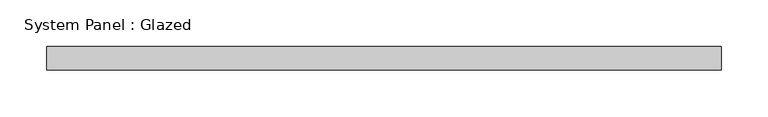
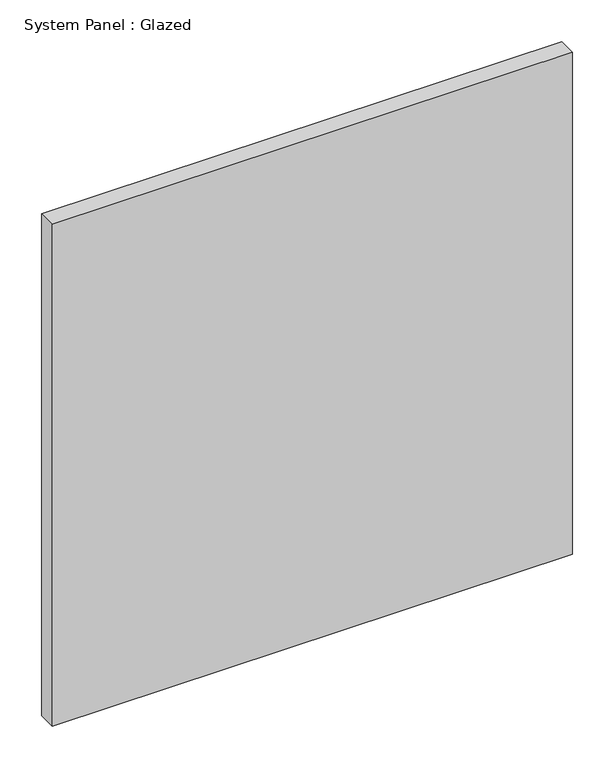
"""IFC4 building model written with IfcOpenShell, lengths in millimetres: plate geometry, System Panel : Glazed."""

import ifcopenshell
import ifcopenshell.guid

model = None  # the IFC model being written
_history = None  # IfcOwnerHistory: only IFC2X3 demands one
_inside = {}  # id of a spatial element -> (the spatial element, [elements in it])
_under = {}  # id of a project, library or spatial element -> (it, [spatial elements below it])
_declared = {}  # id of a project -> (the project, [libraries it declares])
_typed = {}  # id of a type object -> (the type object, [elements of that type])
_made_of = {}  # id of a material, layer set ... -> (it, [elements and type objects made of it])


def new_model(schema):
    """Start an empty IFC model of exactly this schema.

    Asked for "IFC4X3", IfcOpenShell would pick the latest addendum, in which some entities
    have other attributes; the version numbers below select the first issue.
    IFC2X3 requires an IfcOwnerHistory on every rooted entity: one is made here for all.
    """
    global model, _history
    if schema == "IFC4X3":
        model = ifcopenshell.file(schema_version=(4, 3, 0, 0))
    else:
        model = ifcopenshell.file(schema=schema)
    _inside.clear()
    _under.clear()
    _declared.clear()
    _typed.clear()
    _made_of.clear()
    _history = None
    if model.schema == "IFC2X3":
        org = make("IfcOrganization", Name="unknown")
        user = make(
            "IfcPersonAndOrganization",
            ThePerson=make("IfcPerson", FamilyName="unknown"),
            TheOrganization=org,
        )
        app = make(
            "IfcApplication",
            ApplicationDeveloper=org,
            Version="unknown",
            ApplicationFullName="unknown",
            ApplicationIdentifier="unknown",
        )
        _history = make(
            "IfcOwnerHistory",
            OwningUser=user,
            OwningApplication=app,
            ChangeAction="ADDED",
            CreationDate=0,
        )
    return model


def make(cls, **values):
    """One entity of the class cls with the attributes given. An attribute that is None is left unset."""
    return model.create_entity(
        cls, **{name: value for name, value in values.items() if value is not None}
    )


def rooted(cls, **values):
    """An entity with a GlobalId (a new one), such as an element, a storey or a relation."""
    return make(cls, GlobalId=ifcopenshell.guid.new(), OwnerHistory=_history, **values)


def si_unit(unit_type, name, prefix=None):
    """IfcSIUnit, for example si_unit("LENGTHUNIT", "METRE", prefix="MILLI")."""
    return make("IfcSIUnit", UnitType=unit_type, Prefix=prefix, Name=name)


def assignment(units):
    """IfcUnitAssignment: the units of a project."""
    return None if units is None else make("IfcUnitAssignment", Units=units)


def point(xyz):
    """IfcCartesianPoint."""
    return None if xyz is None else make("IfcCartesianPoint", Coordinates=xyz)


def direction(xyz):
    """IfcDirection."""
    return None if xyz is None else make("IfcDirection", DirectionRatios=xyz)


def frame(location, z_axis=None, x_axis=None):
    """IfcAxis2Placement3D, a coordinate frame: its origin and axes. An axis left out is left unset."""
    return make(
        "IfcAxis2Placement3D",
        Location=point(location),
        Axis=direction(z_axis),
        RefDirection=direction(x_axis),
    )


def origin():
    """The frame at (0, 0, 0) with its axes left unset."""
    return frame((0.0, 0.0, 0.0))


def origin_with_axes():
    """The frame at (0, 0, 0) with the z axis (0, 0, 1) and the x axis (1, 0, 0) written out."""
    return frame((0.0, 0.0, 0.0), z_axis=(0.0, 0.0, 1.0), x_axis=(1.0, 0.0, 0.0))


def place(relative_to, where):
    """IfcLocalPlacement: puts the frame where relative to a parent placement (None: the world)."""
    return make(
        "IfcLocalPlacement", PlacementRelTo=relative_to, RelativePlacement=where
    )


def context(
    kind, dimensions, precision=None, world=None, true_north=None, identifier=None
):
    """IfcGeometricRepresentationContext, for example the 3D "Model" context."""
    return make(
        "IfcGeometricRepresentationContext",
        ContextIdentifier=identifier,
        ContextType=kind,
        CoordinateSpaceDimension=dimensions,
        Precision=precision,
        WorldCoordinateSystem=world,
        TrueNorth=true_north,
    )


def project(units=None, contexts=None):
    """IfcProject with its units and contexts."""
    return rooted(
        "IfcProject",
        Name="project",
        RepresentationContexts=contexts,
        UnitsInContext=assignment(units),
    )


def spatial(cls, under=None, at=None, **own):
    """A site, building, storey or space (cls), placed at a placement, below another one or the project."""
    s = rooted(cls, ObjectPlacement=at, **own)
    if under is not None:
        _under.setdefault(under.id(), (under, []))[1].append(s)
    return s


def polyline(points):
    """IfcPolyline through the points."""
    return make("IfcPolyline", Points=[point(p) for p in points])


def outline(outer, holes=None, kind="AREA"):
    """IfcArbitraryClosedProfileDef: a profile drawn as a closed curve; with holes, ...WithVoids."""
    if holes is None:
        return make("IfcArbitraryClosedProfileDef", ProfileType=kind, OuterCurve=outer)
    return make(
        "IfcArbitraryProfileDefWithVoids",
        ProfileType=kind,
        OuterCurve=outer,
        InnerCurves=holes,
    )


def extrude(swept, where, along, depth):
    """IfcExtrudedAreaSolid: the profile swept, set in the frame where, extruded along a direction by depth."""
    return make(
        "IfcExtrudedAreaSolid",
        SweptArea=swept,
        Position=where,
        ExtrudedDirection=direction(along),
        Depth=depth,
    )


def shape(context_of_items, identifier, shape_type, items):
    """IfcShapeRepresentation: the items that make up one representation, for example the "Body"."""
    return make(
        "IfcShapeRepresentation",
        ContextOfItems=context_of_items,
        RepresentationIdentifier=identifier,
        RepresentationType=shape_type,
        Items=items,
    )


def source(mapping_origin, context_of_items, identifier, shape_type, items):
    """IfcRepresentationMap: a shape defined once, which mapped items show again and again."""
    return make(
        "IfcRepresentationMap",
        MappingOrigin=mapping_origin,
        MappedRepresentation=shape(context_of_items, identifier, shape_type, items),
    )


def transform(
    local_origin,
    x_axis=None,
    y_axis=None,
    z_axis=None,
    scale=None,
    scale2=None,
    scale3=None,
    uniform=True,
):
    """IfcCartesianTransformationOperator3D, or its non-uniform kind. x_axis, y_axis, z_axis: its Axis1, 2, 3."""
    if uniform:
        return make(
            "IfcCartesianTransformationOperator3D",
            Axis1=direction(x_axis),
            Axis2=direction(y_axis),
            LocalOrigin=point(local_origin),
            Scale=scale,
            Axis3=direction(z_axis),
        )
    return make(
        "IfcCartesianTransformationOperator3DnonUniform",
        Axis1=direction(x_axis),
        Axis2=direction(y_axis),
        LocalOrigin=point(local_origin),
        Scale=scale,
        Axis3=direction(z_axis),
        Scale2=scale2,
        Scale3=scale3,
    )


def mapped(mapping_source, mapping_target):
    """IfcMappedItem: shows the shape of a source again, moved by a transform."""
    return make(
        "IfcMappedItem", MappingSource=mapping_source, MappingTarget=mapping_target
    )


def made_of(thing, what):
    """Note that an element or type object is made of a material, layer set ...; save() writes the relation."""
    if what is not None:
        _made_of.setdefault(what.id(), (what, []))[1].append(thing)
    return thing


def element(
    cls,
    number,
    at=None,
    inside=None,
    cuts=None,
    type_object=None,
    material=None,
    context=None,
    identifier="Body",
    shape_type=None,
    held_by="IfcProductDefinitionShape",
    body=None,
    shapes=None,
    **own,
):
    """One element of the class cls, such as IfcWall. Its Tag is "e" and its number.

    at: its placement. inside: the storey or other place that contains it. cuts: it is an
    opening in that element (IfcRelVoidsElement). A single representation is given by context,
    identifier, shape_type and body (its items); several are given by shapes. held_by: the class
    of the entity that holds the representations. save() writes the other relations.
    """
    e = rooted(cls, Tag="e%d" % number, ObjectPlacement=at, **own)
    if body is not None:
        shapes = [shape(context, identifier, shape_type, body)]
    if shapes is not None:
        e.Representation = make(held_by, Representations=shapes)
    if inside is not None:
        _inside.setdefault(inside.id(), (inside, []))[1].append(e)
    if cuts is not None:
        rooted(
            "IfcRelVoidsElement", RelatingBuildingElement=cuts, RelatedOpeningElement=e
        )
    if type_object is not None:
        _typed.setdefault(type_object.id(), (type_object, []))[1].append(e)
    return made_of(e, material)


def aggregate(whole, parts):
    """IfcRelAggregates: a whole, such as a stair, and the parts it consists of."""
    return rooted("IfcRelAggregates", RelatingObject=whole, RelatedObjects=parts)


def save(model, path):
    """Write the relations noted so far, then the file.

    IfcRelAggregates (storeys below a building ...), IfcRelContainedInSpatialStructure (elements
    in a storey), IfcRelDefinesByType, IfcRelAssociatesMaterial and IfcRelDeclares: one each for
    every whole, place, type object, material and project.
    """
    for whole, parts in _under.values():
        aggregate(whole, parts)
    for where, things in _inside.values():
        rooted(
            "IfcRelContainedInSpatialStructure",
            RelatedElements=things,
            RelatingStructure=where,
        )
    for kind, things in _typed.values():
        rooted("IfcRelDefinesByType", RelatedObjects=things, RelatingType=kind)
    for what, things in _made_of.values():
        rooted("IfcRelAssociatesMaterial", RelatedObjects=things, RelatingMaterial=what)
    for by, libraries in _declared.values():
        rooted("IfcRelDeclares", RelatingContext=by, RelatedDefinitions=libraries)
    model.write(path)


def system_panel_glazed_c60191d5(model_context):
    return source(origin(), model_context, "Body", "SweptSolid", [
        extrude(outline(polyline([(361.2, -88.9), (-361.2, -88.9), (-361.2, -63.5), (361.2, -63.5), (361.2, -88.9)])), origin_with_axes(), (0.0, 0.0, 1.0), 736.4),
    ])


if __name__ == "__main__":
    model = new_model("IFC4")
    model_context = context("Model", 3, world=origin())
    ifc_project = project(units=[si_unit("LENGTHUNIT", "METRE", prefix="MILLI")], contexts=[model_context])
    site = spatial("IfcSite", under=ifc_project)
    building = spatial("IfcBuilding", under=site)
    placement = place(None, origin())
    system_panel_glazed_shape = system_panel_glazed_c60191d5(model_context)
    element("IfcPlate", 1, ObjectType="System Panel : Glazed", at=placement, inside=building, context=model_context, shape_type="MappedRepresentation", body=[
        mapped(system_panel_glazed_shape, transform((0.0, 0.0, 0.0), x_axis=(1.0, 0.0, 0.0), y_axis=(0.0, 1.0, 0.0), z_axis=(0.0, 0.0, 1.0))),
    ])
    save(model, "model.ifc")
